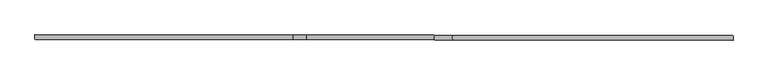
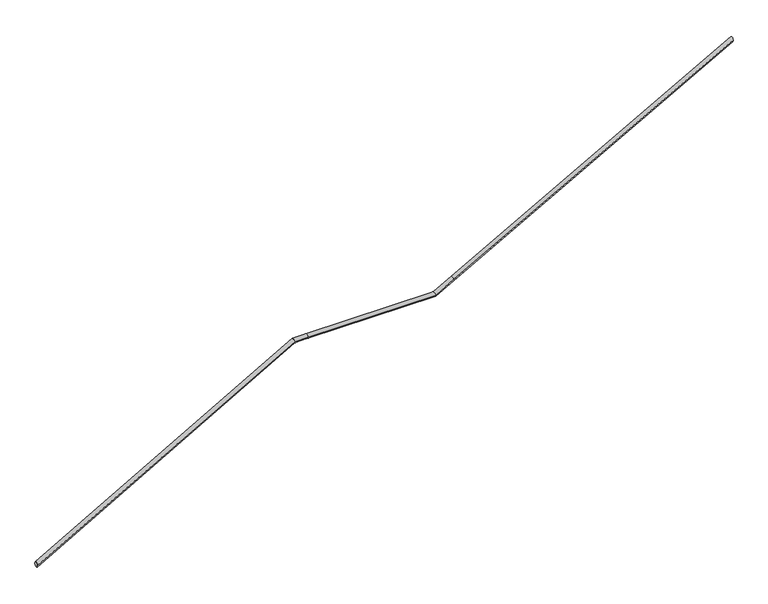
"""IFC4 building model written with IfcOpenShell, lengths in millimetres: railing geometry."""

from ifc_helpers import new_model, si_unit, frame, origin, place, context, project, spatial, circle_curve, ellipse_curve, source, transform, mapped, element, save
from ifc_brep_helpers import plane_surface, cylinder_surface, advanced_brep


def railing_f65bbf26(model_context):
    return source(origin(), model_context, "Body", "AdvancedBrep", [
        advanced_brep(
        [(49135.8964693, -32775.0311067, -8971.1111111), (49135.9678849, -32735.0311704, -8971.1111111), (51495.4386382, -32779.2438156, -7620.0), (51495.5100538, -32739.2438794, -7620.0), (51615.8925166, -32779.4588731, -7620.0), (51615.9639322, -32739.4589368, -7620.0), (52787.8286982, -32781.5512392, -7620.0), (52787.9001138, -32741.5513029, -7620.0), (52955.8903809, -32781.8512953, -7526.3452021), (52955.9617965, -32741.851359, -7526.3452021), (55515.4386382, -32786.4210936, -6100.0), (55515.5100538, -32746.4211574, -6100.0)],
        [
            (0, 1, ellipse_curve(frame((49135.9321771, -32755.0311386, -8971.1111111), z_axis=(-0.9999984061905729, 0.001785389681276696, 0.0), x_axis=(0.0, 0.0, -1.0)), 23.0468028, 20.0)),
            (1, 0, ellipse_curve(frame((49135.9321771, -32755.0311386, -8971.1111111), z_axis=(-0.9999984061905729, 0.001785389681276696, 0.0), x_axis=(0.0, 0.0, -1.0)), 23.0468028, 20.0)),
            (0, 2),
            (2, 3, ellipse_curve(frame((51495.474346, -32759.2438475, -7620.0), z_axis=(-0.9663833022720972, 0.0017253735259369928, -0.25709985642911676), x_axis=(0.25709944666094225, -0.00045902343067252046, -0.9663848425053692)), 20.6956888, 20.0)),
            (3, 1),
            (3, 2, ellipse_curve(frame((51495.474346, -32759.2438475, -7620.0), z_axis=(-0.9663833022720972, 0.0017253735259369928, -0.25709985642911676), x_axis=(0.25709944666094225, -0.00045902343067252046, -0.9663848425053692)), 20.6956888, 20.0)),
            (2, 4),
            (4, 5, circle_curve(frame((51615.9282244, -32759.458905, -7620.0), z_axis=(-0.999998406190573, 0.0017853896812490603, 0.0), x_axis=(0.0017853896812490603, 0.999998406190573, 0.0)), 20.0)),
            (5, 3),
            (5, 4, circle_curve(frame((51615.9282244, -32759.458905, -7620.0), z_axis=(-0.999998406190573, 0.0017853896812490603, 0.0), x_axis=(0.0017853896812490603, 0.999998406190573, 0.0)), 20.0)),
            (4, 6),
            (6, 7, ellipse_curve(frame((52787.864406, -32761.5512711, -7620.0), z_axis=(-0.9678628980342806, 0.0017280151851789339, -0.251472512557941), x_axis=(-0.2514721117586787, 0.00044897642901785235, 0.9678644406257505)), 20.6640508, 20.0)),
            (7, 5),
            (7, 6, ellipse_curve(frame((52787.864406, -32761.5512711, -7620.0), z_axis=(-0.9678628980342806, 0.0017280151851789339, -0.251472512557941), x_axis=(-0.2514721117586787, 0.00044897642901785235, 0.9678644406257505)), 20.6640508, 20.0)),
            (6, 8),
            (8, 9, circle_curve(frame((52955.9260887, -32761.8513271, -7526.3452021), z_axis=(-0.8735217586261598, 0.0015595792199115987, -0.4867826053992871), x_axis=(0.0017853896812984628, 0.9999984061905729, 0.0)), 20.0)),
            (9, 7),
            (9, 8, circle_curve(frame((52955.9260887, -32761.8513271, -7526.3452021), z_axis=(-0.8735217586261598, 0.0015595792199115987, -0.4867826053992871), x_axis=(0.0017853896812984628, 0.9999984061905729, 0.0)), 20.0)),
            (10, 11, ellipse_curve(frame((55515.474346, -32766.4211255, -6100.0), z_axis=(0.9999984061905729, -0.0017853896812768514, 0.0), x_axis=(0.0, 0.0, -1.0)), 22.895787, 20.0)),
            (11, 10, ellipse_curve(frame((55515.474346, -32766.4211255, -6100.0), z_axis=(0.9999984061905729, -0.0017853896812768514, 0.0), x_axis=(0.0, 0.0, -1.0)), 22.895787, 20.0)),
            (8, 10),
            (11, 9),
        ],
        [
            plane_surface(frame((49135.9321771, -32755.0311386, -8971.1111111), z_axis=(-0.9999984061905729, 0.001785389681276696, 0.0), x_axis=(0.001785389681276696, 0.9999984061905729, 0.0))),
            cylinder_surface(frame((49135.9321771, -32755.0311386, -8971.1111111), z_axis=(-0.8677979445415058, 0.001549359965002049, -0.4969148085268102), x_axis=(0.0017853896812766957, 0.9999984061905729, 0.0)), 20.0),
            cylinder_surface(frame((51495.474346, -32759.2438475, -7620.0), z_axis=(-0.999998406190573, 0.0017853896812490603, 0.0), x_axis=(0.0017853896812490603, 0.999998406190573, 0.0)), 20.0),
            cylinder_surface(frame((51615.9282244, -32759.458905, -7620.0), z_axis=(-0.9999984061905729, 0.0017853896812804226, 0.0), x_axis=(0.0017853896812804226, 0.9999984061905729, 0.0)), 20.0),
            cylinder_surface(frame((52787.864406, -32761.5512711, -7620.0), z_axis=(-0.8735217586261598, 0.0015595792199115987, -0.4867826053992871), x_axis=(0.0017853896812984628, 0.9999984061905729, 0.0)), 20.0),
            plane_surface(frame((55515.474346, -32766.4211255, -6100.0), z_axis=(0.9999984061905729, -0.0017853896812768514, 0.0), x_axis=(0.0017853896812768514, 0.9999984061905729, 0.0))),
            cylinder_surface(frame((52955.9260887, -32761.8513271, -7526.3452021), z_axis=(-0.8735217586261597, 0.0015595792198940174, -0.48678260539928714), x_axis=(0.0017853896812831053, 0.9999984061905729, 0.0)), 20.0),
        ],
        [
            (0, [[1, 2]]),
            (1, [[-1, 3, 4, 5]]),
            (1, [[-2, -5, 6, -3]]),
            (2, [[-4, 7, 8, 9]]),
            (2, [[-6, -9, 10, -7]]),
            (3, [[-8, 11, 12, 13]]),
            (3, [[-10, -13, 14, -11]]),
            (4, [[-12, 15, 16, 17]]),
            (4, [[-14, -17, 18, -15]]),
            (5, [[19, 20]]),
            (6, [[-16, 21, -20, 22]]),
            (6, [[-18, -22, -19, -21]]),
        ],
    ),
    ])


if __name__ == "__main__":
    model = new_model("IFC4")
    model_context = context("Model", 3, world=origin())
    ifc_project = project(units=[si_unit("LENGTHUNIT", "METRE", prefix="MILLI")], contexts=[model_context])
    site = spatial("IfcSite", under=ifc_project)
    building = spatial("IfcBuilding", under=site)
    placement = place(None, origin())
    railing_shape = railing_f65bbf26(model_context)
    element("IfcRailing", 1, at=placement, inside=building, context=model_context, shape_type="MappedRepresentation", body=[
        mapped(railing_shape, transform((0.0, 0.0, 0.0), x_axis=(1.0, 0.0, 0.0), y_axis=(0.0, 1.0, 0.0), z_axis=(0.0, 0.0, 1.0))),
    ])
    save(model, "model.ifc")
